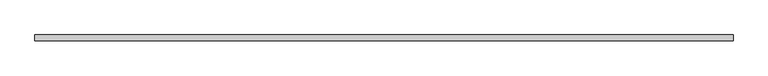
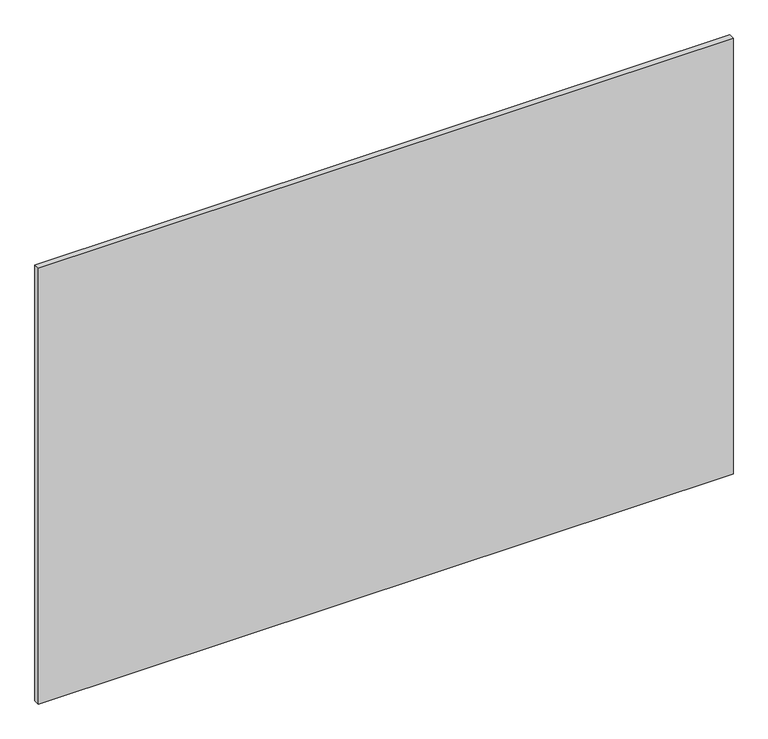
"""IFC4 building model written with IfcOpenShell, lengths in millimetres: plate geometry."""

from ifc_helpers import new_model, si_unit, origin, origin_with_axes, place, context, project, spatial, polyline, outline, extrude, source, transform, mapped, element, save


def plate_49a47717(model_context):
    return source(origin(), model_context, "Body", "SweptSolid", [
        extrude(outline(polyline([(627.75, 5.2), (627.75, -5.2), (-627.75, -5.2), (-627.75, 5.2), (627.75, 5.2)])), origin_with_axes(), (0.0, 0.0, 1.0), 833.3),
    ])


if __name__ == "__main__":
    model = new_model("IFC4")
    model_context = context("Model", 3, world=origin())
    ifc_project = project(units=[si_unit("LENGTHUNIT", "METRE", prefix="MILLI")], contexts=[model_context])
    site = spatial("IfcSite", under=ifc_project)
    building = spatial("IfcBuilding", under=site)
    placement = place(None, origin())
    plate_shape = plate_49a47717(model_context)
    element("IfcPlate", 1, at=placement, inside=building, context=model_context, shape_type="MappedRepresentation", body=[
        mapped(plate_shape, transform((0.0, 0.0, 0.0), x_axis=(1.0, 0.0, 0.0), y_axis=(0.0, 1.0, 0.0), z_axis=(0.0, 0.0, 1.0))),
    ])
    save(model, "model.ifc")
